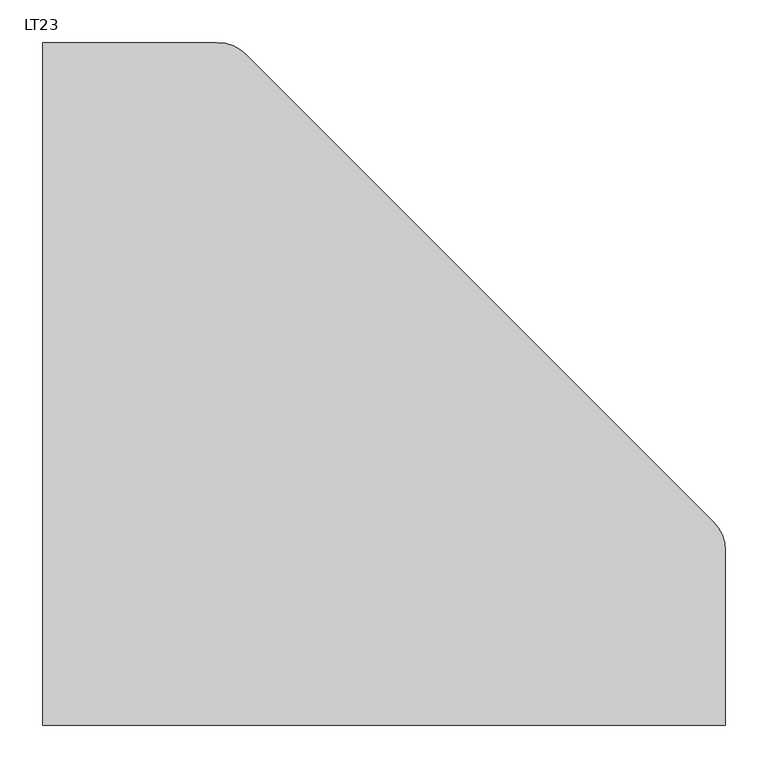
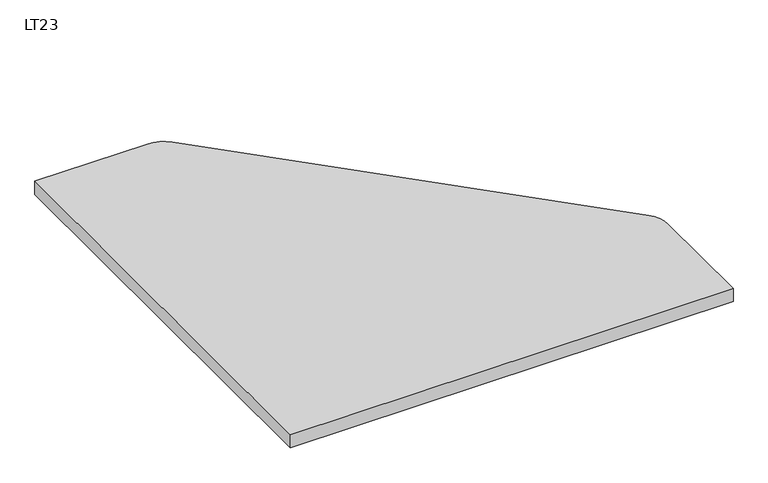
"""IFC4 building model written with IfcOpenShell, lengths in millimetres: furniture geometry, LT23."""

from ifc_helpers import new_model, si_unit, point, frame, frame_2d, origin, place, context, project, spatial, polyline, circle_curve, trimmed, segment, composite_curve, outline, extrude, source, transform, mapped, element, save


def lt23_05024c0e(model_context):
    return source(origin(), model_context, "Body", "SweptSolid", [
        extrude(outline(composite_curve([segment(polyline([(-400.0, 400.0), (-196.0, 400.0)]), True, "CONTINUOUS"), segment(trimmed(circle_curve(frame_2d((-196.0, 350.0)), 50.0), [point((-196.0, 400.0))], [point((-160.6446609, 385.3553391))], False, "CARTESIAN"), True, "CONTINUOUS"), segment(polyline([(-160.6446609, 385.3553391), (385.3553391, -160.6446609)]), True, "CONTINUOUS"), segment(trimmed(circle_curve(frame_2d((350.0, -196.0)), 50.0), [point((385.3553391, -160.6446609))], [point((400.0, -196.0))], False, "CARTESIAN"), True, "CONTINUOUS"), segment(polyline([(400.0, -196.0), (400.0, -400.0), (-400.0, -400.0), (-400.0, 400.0)]), True, "CONTINUOUS")], self_intersect=False)), frame((0.0, 0.0, 700.0), z_axis=(0.0, 0.0, 1.0), x_axis=(1.0, 0.0, 0.0)), (0.0, 0.0, 1.0), 25.0),
    ])


if __name__ == "__main__":
    model = new_model("IFC4")
    model_context = context("Model", 3, world=origin())
    ifc_project = project(units=[si_unit("LENGTHUNIT", "METRE", prefix="MILLI")], contexts=[model_context])
    site = spatial("IfcSite", under=ifc_project)
    building = spatial("IfcBuilding", under=site)
    placement = place(None, origin())
    lt23_shape = lt23_05024c0e(model_context)
    element("IfcFurniture", 1, ObjectType="LT23", at=placement, inside=building, context=model_context, shape_type="MappedRepresentation", body=[
        mapped(lt23_shape, transform((0.0, 0.0, 0.0), x_axis=(1.0, 0.0, 0.0), y_axis=(0.0, 1.0, 0.0), z_axis=(0.0, 0.0, 1.0))),
    ])
    save(model, "model.ifc")
